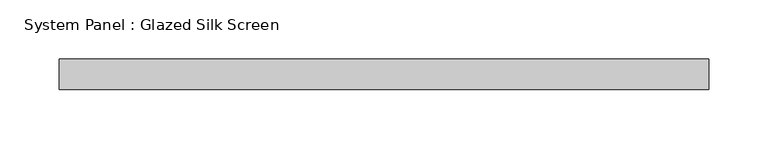
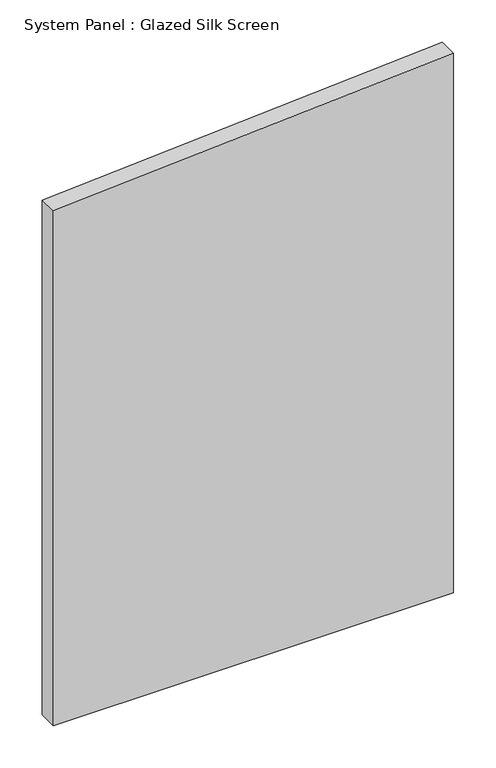
"""IFC4 building model written with IfcOpenShell, lengths in millimetres: plate geometry, System Panel : Glazed Silk Screen."""

from ifc_helpers import new_model, si_unit, frame, origin, place, context, project, spatial, polyline, outline, extrude, source, transform, mapped, element, save


def system_panel_glazed_silk_screen_f1e0fd35(model_context):
    return source(origin(), model_context, "Body", "SweptSolid", [
        extrude(outline(polyline([(0.0, -273.05), (0.0, 273.05), (778.1857873, 273.05), (742.0901936, -273.05), (0.0, -273.05)])), frame((0.0, 19.05, 0.0), z_axis=(0.0, 1.0, 0.0), x_axis=(0.0, 0.0, 1.0)), (0.0, 0.0, 1.0), 25.4),
    ])


if __name__ == "__main__":
    model = new_model("IFC4")
    model_context = context("Model", 3, world=origin())
    ifc_project = project(units=[si_unit("LENGTHUNIT", "METRE", prefix="MILLI")], contexts=[model_context])
    site = spatial("IfcSite", under=ifc_project)
    building = spatial("IfcBuilding", under=site)
    placement = place(None, origin())
    system_panel_glazed_silk_screen_shape = system_panel_glazed_silk_screen_f1e0fd35(model_context)
    element("IfcPlate", 1, ObjectType="System Panel : Glazed Silk Screen", at=placement, inside=building, context=model_context, shape_type="MappedRepresentation", body=[
        mapped(system_panel_glazed_silk_screen_shape, transform((0.0, 0.0, 0.0), x_axis=(1.0, 0.0, 0.0), y_axis=(0.0, 1.0, 0.0), z_axis=(0.0, 0.0, 1.0))),
    ])
    save(model, "model.ifc")
